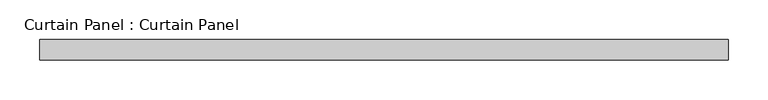
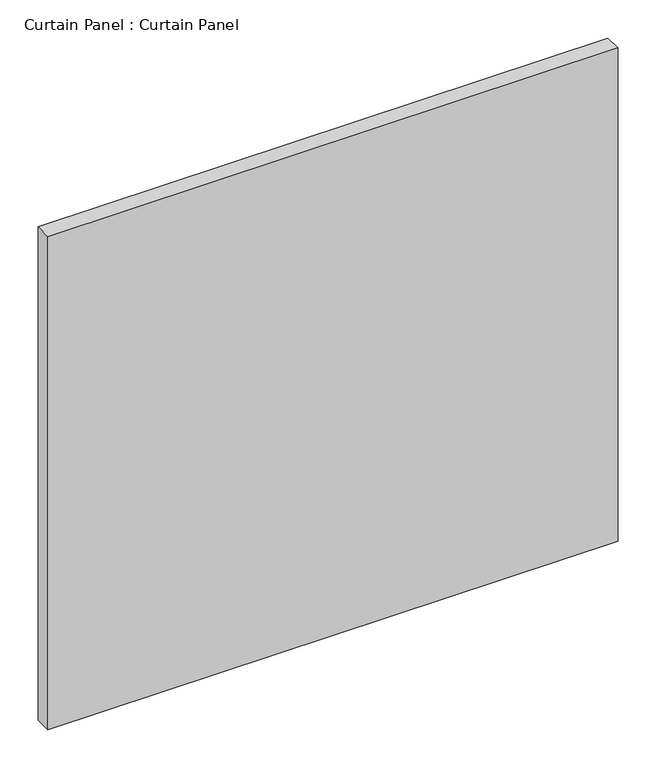
"""IFC4 building model written with IfcOpenShell, lengths in millimetres: plate geometry, Curtain Panel : Curtain Panel."""

from ifc_helpers import new_model, si_unit, frame, origin, place, context, project, spatial, polyline, outline, extrude, source, transform, mapped, element, save


def curtain_panel_curtain_panel_e63096f2(model_context):
    return source(origin(), model_context, "Body", "SweptSolid", [
        extrude(outline(polyline([(75326.5893046, 2539.6865142), (74463.2746308, 2539.6865142), (74463.2746308, 2565.0865142), (75326.5893046, 2565.0865142), (75326.5893046, 2539.6865142)])), frame((0.0, 0.0, 1173.4122022), z_axis=(0.0, 0.0, 1.0), x_axis=(1.0, 0.0, 0.0)), (0.0, 0.0, 1.0), 789.4213891),
    ])


if __name__ == "__main__":
    model = new_model("IFC4")
    model_context = context("Model", 3, world=origin())
    ifc_project = project(units=[si_unit("LENGTHUNIT", "METRE", prefix="MILLI")], contexts=[model_context])
    site = spatial("IfcSite", under=ifc_project)
    building = spatial("IfcBuilding", under=site)
    placement = place(None, origin())
    curtain_panel_curtain_panel_shape = curtain_panel_curtain_panel_e63096f2(model_context)
    element("IfcPlate", 1, ObjectType="Curtain Panel : Curtain Panel", at=placement, inside=building, context=model_context, shape_type="MappedRepresentation", body=[
        mapped(curtain_panel_curtain_panel_shape, transform((0.0, 0.0, 0.0), x_axis=(1.0, 0.0, 0.0), y_axis=(0.0, 1.0, 0.0), z_axis=(0.0, 0.0, 1.0))),
    ])
    save(model, "model.ifc")
